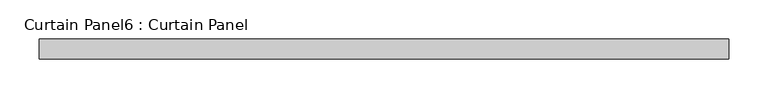
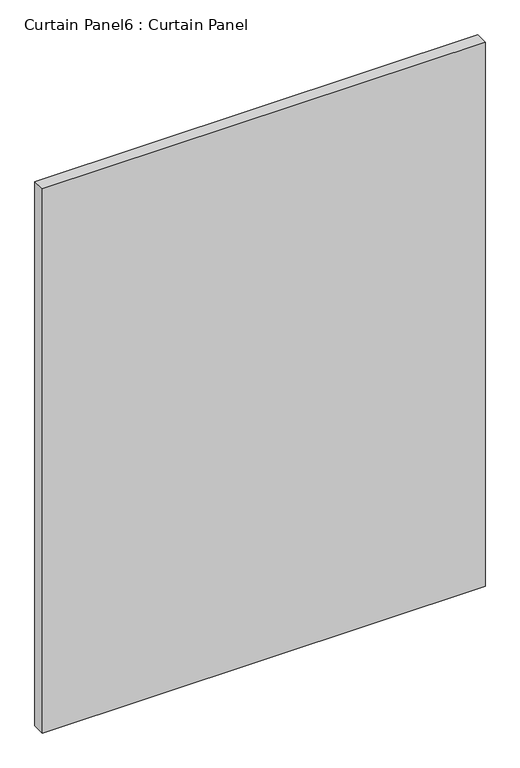
"""IFC4 building model written with IfcOpenShell, lengths in millimetres: plate geometry, Curtain Panel6 : Curtain Panel."""

from ifc_helpers import new_model, si_unit, frame, origin, place, context, project, spatial, polyline, outline, extrude, source, transform, mapped, element, save


def curtain_panel6_curtain_panel_5a2bcfad(model_context):
    return source(origin(), model_context, "Body", "SweptSolid", [
        extrude(outline(polyline([(-175823.5628689, 4757.6387985), (-176703.0378689, 4757.6387985), (-176703.0378689, 4783.0387985), (-175823.5628689, 4783.0387985), (-175823.5628689, 4757.6387985)])), frame((0.0, 0.0, 2455.8625), z_axis=(0.0, 0.0, 1.0), x_axis=(1.0, 0.0, 0.0)), (0.0, 0.0, 1.0), 1143.0),
    ])


if __name__ == "__main__":
    model = new_model("IFC4")
    model_context = context("Model", 3, world=origin())
    ifc_project = project(units=[si_unit("LENGTHUNIT", "METRE", prefix="MILLI")], contexts=[model_context])
    site = spatial("IfcSite", under=ifc_project)
    building = spatial("IfcBuilding", under=site)
    placement = place(None, origin())
    curtain_panel6_curtain_panel_shape = curtain_panel6_curtain_panel_5a2bcfad(model_context)
    element("IfcPlate", 1, ObjectType="Curtain Panel6 : Curtain Panel", at=placement, inside=building, context=model_context, shape_type="MappedRepresentation", body=[
        mapped(curtain_panel6_curtain_panel_shape, transform((0.0, 0.0, 0.0), x_axis=(1.0, 0.0, 0.0), y_axis=(0.0, 1.0, 0.0), z_axis=(0.0, 0.0, 1.0))),
    ])
    save(model, "model.ifc")
